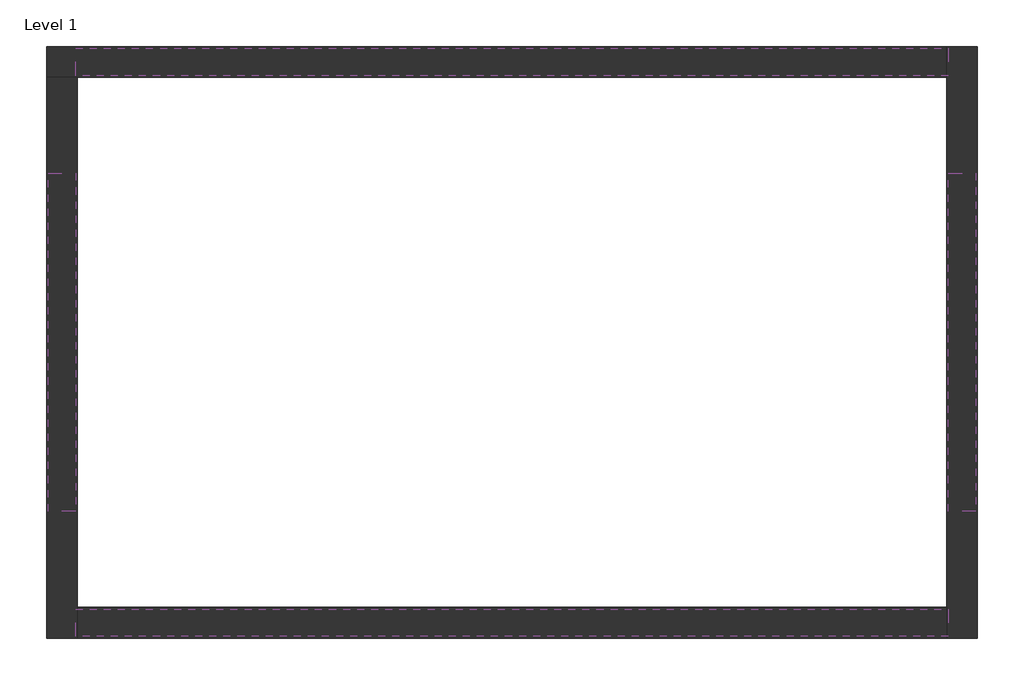
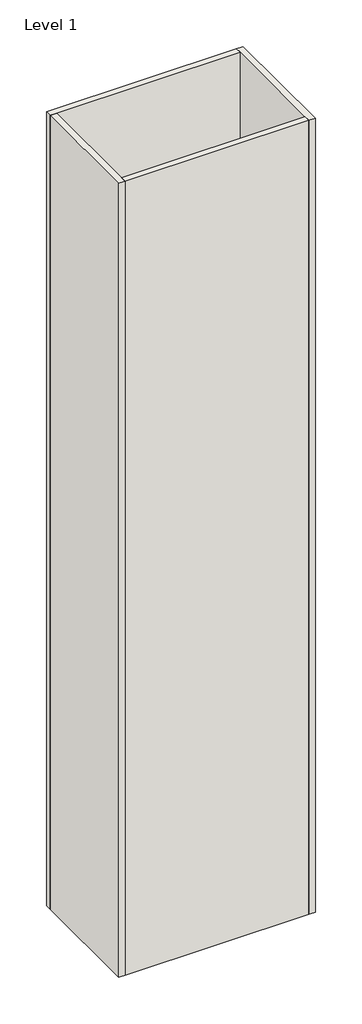
# One storey: 4 beams, 4 columns, 4 walls.
"""IFC4 building model written with IfcOpenShell, lengths in millimetres."""

import ifcopenshell
import ifcopenshell.guid

model = None  # the IFC model being written
_history = None  # IfcOwnerHistory: only IFC2X3 demands one
_inside = {}  # id of a spatial element -> (the spatial element, [elements in it])
_under = {}  # id of a project, library or spatial element -> (it, [spatial elements below it])
_declared = {}  # id of a project -> (the project, [libraries it declares])
_typed = {}  # id of a type object -> (the type object, [elements of that type])
_made_of = {}  # id of a material, layer set ... -> (it, [elements and type objects made of it])


def new_model(schema):
    """Start an empty IFC model of exactly this schema.

    Asked for "IFC4X3", IfcOpenShell would pick the latest addendum, in which some entities
    have other attributes; the version numbers below select the first issue.
    IFC2X3 requires an IfcOwnerHistory on every rooted entity: one is made here for all.
    """
    global model, _history
    if schema == "IFC4X3":
        model = ifcopenshell.file(schema_version=(4, 3, 0, 0))
    else:
        model = ifcopenshell.file(schema=schema)
    _inside.clear()
    _under.clear()
    _declared.clear()
    _typed.clear()
    _made_of.clear()
    _history = None
    if model.schema == "IFC2X3":
        org = make("IfcOrganization", Name="unknown")
        user = make(
            "IfcPersonAndOrganization",
            ThePerson=make("IfcPerson", FamilyName="unknown"),
            TheOrganization=org,
        )
        app = make(
            "IfcApplication",
            ApplicationDeveloper=org,
            Version="unknown",
            ApplicationFullName="unknown",
            ApplicationIdentifier="unknown",
        )
        _history = make(
            "IfcOwnerHistory",
            OwningUser=user,
            OwningApplication=app,
            ChangeAction="ADDED",
            CreationDate=0,
        )
    return model


def make(cls, **values):
    """One entity of the class cls with the attributes given. An attribute that is None is left unset."""
    return model.create_entity(
        cls, **{name: value for name, value in values.items() if value is not None}
    )


def rooted(cls, **values):
    """An entity with a GlobalId (a new one), such as an element, a storey or a relation."""
    return make(cls, GlobalId=ifcopenshell.guid.new(), OwnerHistory=_history, **values)


def si_unit(unit_type, name, prefix=None):
    """IfcSIUnit, for example si_unit("LENGTHUNIT", "METRE", prefix="MILLI")."""
    return make("IfcSIUnit", UnitType=unit_type, Prefix=prefix, Name=name)


def assignment(units):
    """IfcUnitAssignment: the units of a project."""
    return None if units is None else make("IfcUnitAssignment", Units=units)


def point(xyz):
    """IfcCartesianPoint."""
    return None if xyz is None else make("IfcCartesianPoint", Coordinates=xyz)


def direction(xyz):
    """IfcDirection."""
    return None if xyz is None else make("IfcDirection", DirectionRatios=xyz)


def frame(location, z_axis=None, x_axis=None):
    """IfcAxis2Placement3D, a coordinate frame: its origin and axes. An axis left out is left unset."""
    return make(
        "IfcAxis2Placement3D",
        Location=point(location),
        Axis=direction(z_axis),
        RefDirection=direction(x_axis),
    )


def origin():
    """The frame at (0, 0, 0) with its axes left unset."""
    return frame((0.0, 0.0, 0.0))


def origin_with_axes():
    """The frame at (0, 0, 0) with the z axis (0, 0, 1) and the x axis (1, 0, 0) written out."""
    return frame((0.0, 0.0, 0.0), z_axis=(0.0, 0.0, 1.0), x_axis=(1.0, 0.0, 0.0))


def place(relative_to, where):
    """IfcLocalPlacement: puts the frame where relative to a parent placement (None: the world)."""
    return make(
        "IfcLocalPlacement", PlacementRelTo=relative_to, RelativePlacement=where
    )


def context(
    kind, dimensions, precision=None, world=None, true_north=None, identifier=None
):
    """IfcGeometricRepresentationContext, for example the 3D "Model" context."""
    return make(
        "IfcGeometricRepresentationContext",
        ContextIdentifier=identifier,
        ContextType=kind,
        CoordinateSpaceDimension=dimensions,
        Precision=precision,
        WorldCoordinateSystem=world,
        TrueNorth=true_north,
    )


def project(units=None, contexts=None):
    """IfcProject with its units and contexts."""
    return rooted(
        "IfcProject",
        Name="project",
        RepresentationContexts=contexts,
        UnitsInContext=assignment(units),
    )


def spatial(cls, under=None, at=None, **own):
    """A site, building, storey or space (cls), placed at a placement, below another one or the project."""
    s = rooted(cls, ObjectPlacement=at, **own)
    if under is not None:
        _under.setdefault(under.id(), (under, []))[1].append(s)
    return s


def polyline(points):
    """IfcPolyline through the points."""
    return make("IfcPolyline", Points=[point(p) for p in points])


def outline(outer, holes=None, kind="AREA"):
    """IfcArbitraryClosedProfileDef: a profile drawn as a closed curve; with holes, ...WithVoids."""
    if holes is None:
        return make("IfcArbitraryClosedProfileDef", ProfileType=kind, OuterCurve=outer)
    return make(
        "IfcArbitraryProfileDefWithVoids",
        ProfileType=kind,
        OuterCurve=outer,
        InnerCurves=holes,
    )


def extrude(swept, where, along, depth):
    """IfcExtrudedAreaSolid: the profile swept, set in the frame where, extruded along a direction by depth."""
    return make(
        "IfcExtrudedAreaSolid",
        SweptArea=swept,
        Position=where,
        ExtrudedDirection=direction(along),
        Depth=depth,
    )


def faces_of(points, faces, orient=None, outer=None):
    """IfcFace entities. A face is a list of loops; a loop is a list of indices into points, from 0.

    orient and outer hold one flag for each loop. By default every Orientation is true, the
    first loop of a face is its IfcFaceOuterBound and the others are IfcFaceBound.
    """
    made = []
    for i, loops in enumerate(faces):
        bounds = []
        for j, loop in enumerate(loops):
            is_outer = j == 0 if outer is None else outer[i][j]
            bounds.append(
                make(
                    "IfcFaceOuterBound" if is_outer else "IfcFaceBound",
                    Bound=make("IfcPolyLoop", Polygon=[points[k] for k in loop]),
                    Orientation=True if orient is None else orient[i][j],
                )
            )
        made.append(make("IfcFace", Bounds=bounds))
    return made


def faceted_brep(points, faces, orient=None, outer=None, voids=None):
    """IfcFacetedBrep: a solid bounded by flat faces; with voids (closed shells), ...WithVoids."""
    shared = [point(p) for p in points]
    hull = make("IfcClosedShell", CfsFaces=faces_of(shared, faces, orient, outer))
    if voids is None:
        return make("IfcFacetedBrep", Outer=hull)
    return make(
        "IfcFacetedBrepWithVoids",
        Outer=hull,
        Voids=[
            make(cls, CfsFaces=faces_of(shared, fs, o, b)) for cls, fs, o, b in voids
        ],
    )


def shape(context_of_items, identifier, shape_type, items):
    """IfcShapeRepresentation: the items that make up one representation, for example the "Body"."""
    return make(
        "IfcShapeRepresentation",
        ContextOfItems=context_of_items,
        RepresentationIdentifier=identifier,
        RepresentationType=shape_type,
        Items=items,
    )


def made_of(thing, what):
    """Note that an element or type object is made of a material, layer set ...; save() writes the relation."""
    if what is not None:
        _made_of.setdefault(what.id(), (what, []))[1].append(thing)
    return thing


def element(
    cls,
    number,
    at=None,
    inside=None,
    cuts=None,
    type_object=None,
    material=None,
    context=None,
    identifier="Body",
    shape_type=None,
    held_by="IfcProductDefinitionShape",
    body=None,
    shapes=None,
    **own,
):
    """One element of the class cls, such as IfcWall. Its Tag is "e" and its number.

    at: its placement. inside: the storey or other place that contains it. cuts: it is an
    opening in that element (IfcRelVoidsElement). A single representation is given by context,
    identifier, shape_type and body (its items); several are given by shapes. held_by: the class
    of the entity that holds the representations. save() writes the other relations.
    """
    e = rooted(cls, Tag="e%d" % number, ObjectPlacement=at, **own)
    if body is not None:
        shapes = [shape(context, identifier, shape_type, body)]
    if shapes is not None:
        e.Representation = make(held_by, Representations=shapes)
    if inside is not None:
        _inside.setdefault(inside.id(), (inside, []))[1].append(e)
    if cuts is not None:
        rooted(
            "IfcRelVoidsElement", RelatingBuildingElement=cuts, RelatedOpeningElement=e
        )
    if type_object is not None:
        _typed.setdefault(type_object.id(), (type_object, []))[1].append(e)
    return made_of(e, material)


def aggregate(whole, parts):
    """IfcRelAggregates: a whole, such as a stair, and the parts it consists of."""
    return rooted("IfcRelAggregates", RelatingObject=whole, RelatedObjects=parts)


def save(model, path):
    """Write the relations noted so far, then the file.

    IfcRelAggregates (storeys below a building ...), IfcRelContainedInSpatialStructure (elements
    in a storey), IfcRelDefinesByType, IfcRelAssociatesMaterial and IfcRelDeclares: one each for
    every whole, place, type object, material and project.
    """
    for whole, parts in _under.values():
        aggregate(whole, parts)
    for where, things in _inside.values():
        rooted(
            "IfcRelContainedInSpatialStructure",
            RelatedElements=things,
            RelatingStructure=where,
        )
    for kind, things in _typed.values():
        rooted("IfcRelDefinesByType", RelatedObjects=things, RelatingType=kind)
    for what, things in _made_of.values():
        rooted("IfcRelAssociatesMaterial", RelatedObjects=things, RelatingMaterial=what)
    for by, libraries in _declared.values():
        rooted("IfcRelDeclares", RelatingContext=by, RelatedDefinitions=libraries)
    model.write(path)


model = new_model("IFC4")

# Units and contexts
model_context = context("Model", 3, world=origin())
ifc_project = project(units=[si_unit("LENGTHUNIT", "METRE", prefix="MILLI")], contexts=[model_context])

# Site, building, storey
site = spatial("IfcSite", under=ifc_project)
building = spatial("IfcBuilding", under=site)
storey = spatial("IfcBuildingStorey", under=building, Name="Level 1", Elevation=0.0)

# Beams
placement = place(None, origin())
element("IfcBeam", 1, ObjectType="Concrete-Rectangular Beam : 200 x 700", at=placement, inside=storey, context=model_context, shape_type="SweptSolid", body=[
    extrude(outline(polyline([(-214.7069565, 1632.6170354), (-214.7069565, 1832.6170354), (6162.2678132, 1832.6170354), (6162.2678132, 1632.6170354), (-214.7069565, 1632.6170354)])), frame((0.0, 0.0, 2348.0), z_axis=(0.0, 0.0, 1.0), x_axis=(1.0, 0.0, 0.0)), (0.0, 0.0, 1.0), 700.0),
])
element("IfcBeam", 2, ObjectType="Concrete-Rectangular Beam : 200 x 700", at=placement, inside=storey, context=model_context, shape_type="SweptSolid", body=[
    extrude(outline(polyline([(6162.2678132, 917.6170354), (6362.2678132, 917.6170354), (6362.2678132, -1550.0434519), (6162.2678132, -1550.0434519), (6162.2678132, 917.6170354)])), frame((0.0, 0.0, 2348.0), z_axis=(0.0, 0.0, 1.0), x_axis=(1.0, 0.0, 0.0)), (0.0, 0.0, 1.0), 700.0),
])
element("IfcBeam", 3, ObjectType="Concrete-Rectangular Beam : 200 x 700", at=placement, inside=storey, context=model_context, shape_type="SweptSolid", body=[
    extrude(outline(polyline([(-214.7069565, -2465.0434519), (-214.7069565, -2265.0434519), (6162.2678132, -2265.0434519), (6162.2678132, -2465.0434519), (-214.7069565, -2465.0434519)])), frame((0.0, 0.0, 2348.0), z_axis=(0.0, 0.0, 1.0), x_axis=(1.0, 0.0, 0.0)), (0.0, 0.0, 1.0), 700.0),
])
element("IfcBeam", 4, ObjectType="Concrete-Rectangular Beam : 200 x 700", at=placement, inside=storey, context=model_context, shape_type="SweptSolid", body=[
    extrude(outline(polyline([(-414.7069565, 917.6170354), (-214.7069565, 917.6170354), (-214.7069565, -1550.0434519), (-414.7069565, -1550.0434519), (-414.7069565, 917.6170354)])), frame((0.0, 0.0, 2348.0), z_axis=(0.0, 0.0, 1.0), x_axis=(1.0, 0.0, 0.0)), (0.0, 0.0, 1.0), 700.0),
])

# Columns
element("IfcColumn", 5, ObjectType="Concrete-Rectangular-Column : 200 x 915", at=placement, inside=storey, context=model_context, shape_type="SweptSolid", body=[
    extrude(outline(polyline([(-214.7069565, 1832.6170354), (-214.7069565, 917.6170354), (-414.7069565, 917.6170354), (-414.7069565, 1732.6170354), (-314.7069565, 1732.6170354), (-314.7069565, 1832.6170354), (-214.7069565, 1832.6170354)])), origin_with_axes(), (0.0, 0.0, 1.0), 3048.0),
    extrude(outline(polyline([(-414.7069565, 1832.6170354), (-314.7069565, 1832.6170354), (-314.7069565, 1732.6170354), (-414.7069565, 1732.6170354), (-414.7069565, 1832.6170354)])), origin_with_axes(), (0.0, 0.0, 1.0), 3048.0),
])
element("IfcColumn", 6, ObjectType="Concrete-Rectangular-Column : 200 x 915", at=placement, inside=storey, context=model_context, shape_type="SweptSolid", body=[
    extrude(outline(polyline([(6162.2678132, 1832.6170354), (6262.2678132, 1832.6170354), (6262.2678132, 1732.6170354), (6362.2678132, 1732.6170354), (6362.2678132, 917.6170354), (6162.2678132, 917.6170354), (6162.2678132, 1832.6170354)])), origin_with_axes(), (0.0, 0.0, 1.0), 3048.0),
    extrude(outline(polyline([(6362.2678132, 1832.6170354), (6362.2678132, 1732.6170354), (6262.2678132, 1732.6170354), (6262.2678132, 1832.6170354), (6362.2678132, 1832.6170354)])), origin_with_axes(), (0.0, 0.0, 1.0), 3048.0),
])
element("IfcColumn", 7, ObjectType="Concrete-Rectangular-Column : 200 x 915", at=placement, inside=storey, context=model_context, shape_type="SweptSolid", body=[
    extrude(outline(polyline([(-214.7069565, -2465.0434519), (-314.7069565, -2465.0434519), (-314.7069565, -2365.0434519), (-414.7069565, -2365.0434519), (-414.7069565, -1550.0434519), (-214.7069565, -1550.0434519), (-214.7069565, -2465.0434519)])), origin_with_axes(), (0.0, 0.0, 1.0), 3048.0),
    extrude(outline(polyline([(-414.7069565, -2465.0434519), (-414.7069565, -2365.0434519), (-314.7069565, -2365.0434519), (-314.7069565, -2465.0434519), (-414.7069565, -2465.0434519)])), origin_with_axes(), (0.0, 0.0, 1.0), 3048.0),
])
element("IfcColumn", 8, ObjectType="Concrete-Rectangular-Column : 200 x 915", at=placement, inside=storey, context=model_context, shape_type="SweptSolid", body=[
    extrude(outline(polyline([(6162.2678132, -2465.0434519), (6162.2678132, -1550.0434519), (6362.2678132, -1550.0434519), (6362.2678132, -2365.0434519), (6262.2678132, -2365.0434519), (6262.2678132, -2465.0434519), (6162.2678132, -2465.0434519)])), origin_with_axes(), (0.0, 0.0, 1.0), 3048.0),
    extrude(outline(polyline([(6362.2678132, -2465.0434519), (6262.2678132, -2465.0434519), (6262.2678132, -2365.0434519), (6362.2678132, -2365.0434519), (6362.2678132, -2465.0434519)])), origin_with_axes(), (0.0, 0.0, 1.0), 3048.0),
])

# Walls
element("IfcWall", 9, ObjectType="Brick - 200mm Ext", at=placement, inside=storey, context=model_context, shape_type="Brep", body=[
    faceted_brep([(-426.7069565, 1620.6170354, -5800.0), (-202.7069565, 1620.6170354, -5800.0), (6150.2678132, 1620.6170354, -5800.0), (6150.2678132, 1620.6170354, 23200.0), (-202.7069565, 1620.6170354, 23200.0), (-426.7069565, 1620.6170354, 23200.0), (-426.7069565, 1844.6170354, -5800.0), (-426.7069565, 1844.6170354, 23200.0), (6150.2678132, 1844.6170354, 23200.0), (6150.2678132, 1844.6170354, -5800.0)], [[[0, 1, 2, 3, 4, 5]], [[6, 7, 8, 9]], [[2, 1, 0, 6, 9]], [[5, 4, 3, 8, 7]], [[0, 5, 7, 6]], [[3, 2, 9, 8]]]),
])
element("IfcWall", 10, ObjectType="Brick - 200mm Ext", at=placement, inside=storey, context=model_context, shape_type="Brep", body=[
    faceted_brep([(-202.7069565, -2477.0434519, -5800.0), (-202.7069565, -2253.0434519, -5800.0), (-202.7069565, 1620.6170354, -5800.0), (-202.7069565, 1620.6170354, 23200.0), (-202.7069565, -2253.0434519, 23200.0), (-202.7069565, -2477.0434519, 23200.0), (-426.7069565, -2477.0434519, -5800.0), (-426.7069565, -2477.0434519, 23200.0), (-426.7069565, 1620.6170354, 23200.0), (-426.7069565, 1620.6170354, -5800.0)], [[[0, 1, 2, 3, 4, 5]], [[6, 7, 8, 9]], [[2, 1, 0, 6, 9]], [[5, 4, 3, 8, 7]], [[0, 5, 7, 6]], [[3, 2, 9, 8]]]),
])
element("IfcWall", 11, ObjectType="Brick - 200mm Ext", at=placement, inside=storey, context=model_context, shape_type="SweptSolid", body=[
    extrude(outline(polyline([(-202.7069565, -2253.0434519), (6150.2678132, -2253.0434519), (6150.2678132, -2477.0434519), (-202.7069565, -2477.0434519), (-202.7069565, -2253.0434519)])), frame((0.0, 0.0, -5800.0), z_axis=(0.0, 0.0, 1.0), x_axis=(1.0, 0.0, 0.0)), (0.0, 0.0, 1.0), 29000.0),
])
element("IfcWall", 12, ObjectType="Brick - 200mm Ext", at=placement, inside=storey, context=model_context, shape_type="Brep", body=[
    faceted_brep([(6150.2678132, 1844.6170354, -5800.0), (6150.2678132, 1620.6170354, -5800.0), (6150.2678132, -2253.0434519, -5800.0), (6150.2678132, -2477.0434519, -5800.0), (6150.2678132, -2477.0434519, 23200.0), (6150.2678132, -2253.0434519, 23200.0), (6150.2678132, 1620.6170354, 23200.0), (6150.2678132, 1844.6170354, 23200.0), (6374.2678132, 1844.6170354, -5800.0), (6374.2678132, 1844.6170354, 23200.0), (6374.2678132, -2477.0434519, 23200.0), (6374.2678132, -2477.0434519, -5800.0)], [[[0, 1, 2, 3, 4, 5, 6, 7]], [[8, 9, 10, 11]], [[3, 2, 1, 0, 8, 11]], [[7, 6, 5, 4, 10, 9]], [[0, 7, 9, 8]], [[4, 3, 11, 10]]]),
])

save(model, "model.ifc")
